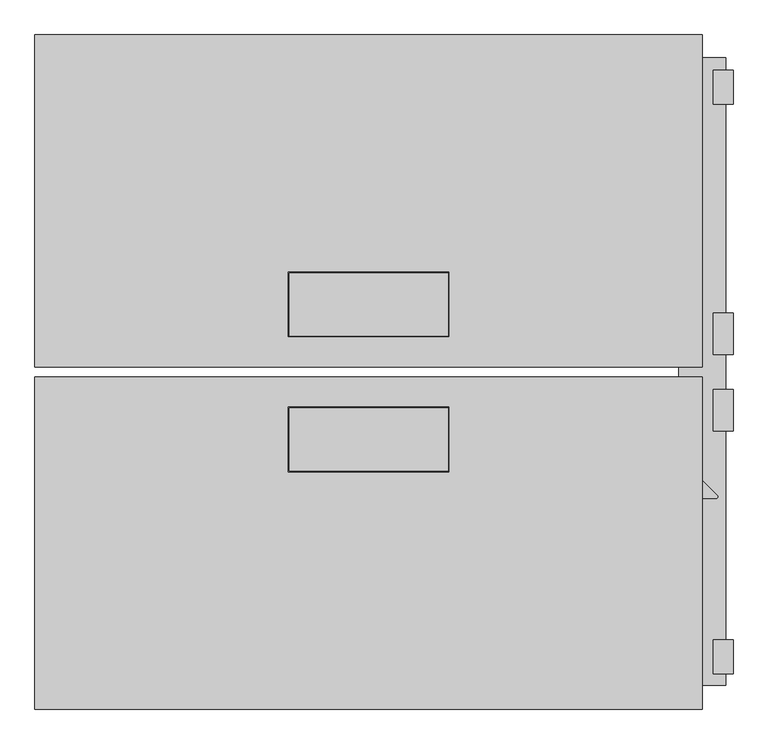
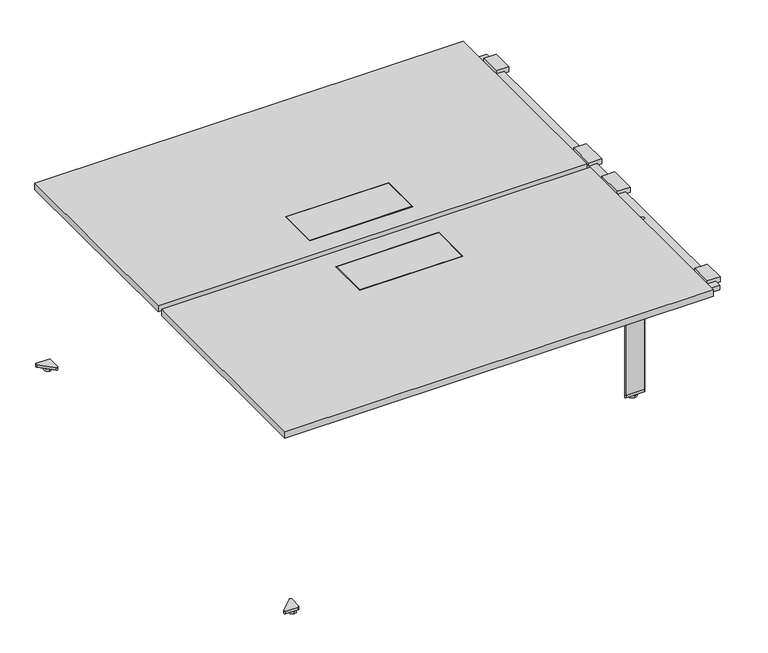
"""IFC4 building model written with IfcOpenShell, lengths in millimetres: furniture geometry."""

import ifcopenshell
import ifcopenshell.guid

model = None  # the IFC model being written
_history = None  # IfcOwnerHistory: only IFC2X3 demands one
_inside = {}  # id of a spatial element -> (the spatial element, [elements in it])
_under = {}  # id of a project, library or spatial element -> (it, [spatial elements below it])
_declared = {}  # id of a project -> (the project, [libraries it declares])
_typed = {}  # id of a type object -> (the type object, [elements of that type])
_made_of = {}  # id of a material, layer set ... -> (it, [elements and type objects made of it])


def new_model(schema):
    """Start an empty IFC model of exactly this schema.

    Asked for "IFC4X3", IfcOpenShell would pick the latest addendum, in which some entities
    have other attributes; the version numbers below select the first issue.
    IFC2X3 requires an IfcOwnerHistory on every rooted entity: one is made here for all.
    """
    global model, _history
    if schema == "IFC4X3":
        model = ifcopenshell.file(schema_version=(4, 3, 0, 0))
    else:
        model = ifcopenshell.file(schema=schema)
    _inside.clear()
    _under.clear()
    _declared.clear()
    _typed.clear()
    _made_of.clear()
    _history = None
    if model.schema == "IFC2X3":
        org = make("IfcOrganization", Name="unknown")
        user = make(
            "IfcPersonAndOrganization",
            ThePerson=make("IfcPerson", FamilyName="unknown"),
            TheOrganization=org,
        )
        app = make(
            "IfcApplication",
            ApplicationDeveloper=org,
            Version="unknown",
            ApplicationFullName="unknown",
            ApplicationIdentifier="unknown",
        )
        _history = make(
            "IfcOwnerHistory",
            OwningUser=user,
            OwningApplication=app,
            ChangeAction="ADDED",
            CreationDate=0,
        )
    return model


def make(cls, **values):
    """One entity of the class cls with the attributes given. An attribute that is None is left unset."""
    return model.create_entity(
        cls, **{name: value for name, value in values.items() if value is not None}
    )


def rooted(cls, **values):
    """An entity with a GlobalId (a new one), such as an element, a storey or a relation."""
    return make(cls, GlobalId=ifcopenshell.guid.new(), OwnerHistory=_history, **values)


def si_unit(unit_type, name, prefix=None):
    """IfcSIUnit, for example si_unit("LENGTHUNIT", "METRE", prefix="MILLI")."""
    return make("IfcSIUnit", UnitType=unit_type, Prefix=prefix, Name=name)


def assignment(units):
    """IfcUnitAssignment: the units of a project."""
    return None if units is None else make("IfcUnitAssignment", Units=units)


def point(xyz):
    """IfcCartesianPoint."""
    return None if xyz is None else make("IfcCartesianPoint", Coordinates=xyz)


def direction(xyz):
    """IfcDirection."""
    return None if xyz is None else make("IfcDirection", DirectionRatios=xyz)


def frame(location, z_axis=None, x_axis=None):
    """IfcAxis2Placement3D, a coordinate frame: its origin and axes. An axis left out is left unset."""
    return make(
        "IfcAxis2Placement3D",
        Location=point(location),
        Axis=direction(z_axis),
        RefDirection=direction(x_axis),
    )


def frame_2d(location, x_axis=None):
    """IfcAxis2Placement2D, a coordinate frame in the plane: its origin and x axis."""
    return make(
        "IfcAxis2Placement2D", Location=point(location), RefDirection=direction(x_axis)
    )


def origin():
    """The frame at (0, 0, 0) with its axes left unset."""
    return frame((0.0, 0.0, 0.0))


def place(relative_to, where):
    """IfcLocalPlacement: puts the frame where relative to a parent placement (None: the world)."""
    return make(
        "IfcLocalPlacement", PlacementRelTo=relative_to, RelativePlacement=where
    )


def context(
    kind, dimensions, precision=None, world=None, true_north=None, identifier=None
):
    """IfcGeometricRepresentationContext, for example the 3D "Model" context."""
    return make(
        "IfcGeometricRepresentationContext",
        ContextIdentifier=identifier,
        ContextType=kind,
        CoordinateSpaceDimension=dimensions,
        Precision=precision,
        WorldCoordinateSystem=world,
        TrueNorth=true_north,
    )


def project(units=None, contexts=None):
    """IfcProject with its units and contexts."""
    return rooted(
        "IfcProject",
        Name="project",
        RepresentationContexts=contexts,
        UnitsInContext=assignment(units),
    )


def spatial(cls, under=None, at=None, **own):
    """A site, building, storey or space (cls), placed at a placement, below another one or the project."""
    s = rooted(cls, ObjectPlacement=at, **own)
    if under is not None:
        _under.setdefault(under.id(), (under, []))[1].append(s)
    return s


def polyline(points):
    """IfcPolyline through the points."""
    return make("IfcPolyline", Points=[point(p) for p in points])


def circle_curve(where, radius):
    """IfcCircle in the frame where."""
    return make("IfcCircle", Position=where, Radius=radius)


def trimmed(basis, trim1, trim2, sense, master):
    """IfcTrimmedCurve: the piece of a basis curve between two trims."""
    return make(
        "IfcTrimmedCurve",
        BasisCurve=basis,
        Trim1=trim1,
        Trim2=trim2,
        SenseAgreement=sense,
        MasterRepresentation=master,
    )


def segment(curve, same_sense, transition):
    """IfcCompositeCurveSegment."""
    return make(
        "IfcCompositeCurveSegment",
        Transition=transition,
        SameSense=same_sense,
        ParentCurve=curve,
    )


def composite_curve(segments, self_intersect=None):
    """IfcCompositeCurve: segments joined end to end."""
    return make("IfcCompositeCurve", Segments=segments, SelfIntersect=self_intersect)


def outline(outer, holes=None, kind="AREA"):
    """IfcArbitraryClosedProfileDef: a profile drawn as a closed curve; with holes, ...WithVoids."""
    if holes is None:
        return make("IfcArbitraryClosedProfileDef", ProfileType=kind, OuterCurve=outer)
    return make(
        "IfcArbitraryProfileDefWithVoids",
        ProfileType=kind,
        OuterCurve=outer,
        InnerCurves=holes,
    )


def extrude(swept, where, along, depth):
    """IfcExtrudedAreaSolid: the profile swept, set in the frame where, extruded along a direction by depth."""
    return make(
        "IfcExtrudedAreaSolid",
        SweptArea=swept,
        Position=where,
        ExtrudedDirection=direction(along),
        Depth=depth,
    )


def shape(context_of_items, identifier, shape_type, items):
    """IfcShapeRepresentation: the items that make up one representation, for example the "Body"."""
    return make(
        "IfcShapeRepresentation",
        ContextOfItems=context_of_items,
        RepresentationIdentifier=identifier,
        RepresentationType=shape_type,
        Items=items,
    )


def source(mapping_origin, context_of_items, identifier, shape_type, items):
    """IfcRepresentationMap: a shape defined once, which mapped items show again and again."""
    return make(
        "IfcRepresentationMap",
        MappingOrigin=mapping_origin,
        MappedRepresentation=shape(context_of_items, identifier, shape_type, items),
    )


def transform(
    local_origin,
    x_axis=None,
    y_axis=None,
    z_axis=None,
    scale=None,
    scale2=None,
    scale3=None,
    uniform=True,
):
    """IfcCartesianTransformationOperator3D, or its non-uniform kind. x_axis, y_axis, z_axis: its Axis1, 2, 3."""
    if uniform:
        return make(
            "IfcCartesianTransformationOperator3D",
            Axis1=direction(x_axis),
            Axis2=direction(y_axis),
            LocalOrigin=point(local_origin),
            Scale=scale,
            Axis3=direction(z_axis),
        )
    return make(
        "IfcCartesianTransformationOperator3DnonUniform",
        Axis1=direction(x_axis),
        Axis2=direction(y_axis),
        LocalOrigin=point(local_origin),
        Scale=scale,
        Axis3=direction(z_axis),
        Scale2=scale2,
        Scale3=scale3,
    )


def mapped(mapping_source, mapping_target):
    """IfcMappedItem: shows the shape of a source again, moved by a transform."""
    return make(
        "IfcMappedItem", MappingSource=mapping_source, MappingTarget=mapping_target
    )


def made_of(thing, what):
    """Note that an element or type object is made of a material, layer set ...; save() writes the relation."""
    if what is not None:
        _made_of.setdefault(what.id(), (what, []))[1].append(thing)
    return thing


def element(
    cls,
    number,
    at=None,
    inside=None,
    cuts=None,
    type_object=None,
    material=None,
    context=None,
    identifier="Body",
    shape_type=None,
    held_by="IfcProductDefinitionShape",
    body=None,
    shapes=None,
    **own,
):
    """One element of the class cls, such as IfcWall. Its Tag is "e" and its number.

    at: its placement. inside: the storey or other place that contains it. cuts: it is an
    opening in that element (IfcRelVoidsElement). A single representation is given by context,
    identifier, shape_type and body (its items); several are given by shapes. held_by: the class
    of the entity that holds the representations. save() writes the other relations.
    """
    e = rooted(cls, Tag="e%d" % number, ObjectPlacement=at, **own)
    if body is not None:
        shapes = [shape(context, identifier, shape_type, body)]
    if shapes is not None:
        e.Representation = make(held_by, Representations=shapes)
    if inside is not None:
        _inside.setdefault(inside.id(), (inside, []))[1].append(e)
    if cuts is not None:
        rooted(
            "IfcRelVoidsElement", RelatingBuildingElement=cuts, RelatedOpeningElement=e
        )
    if type_object is not None:
        _typed.setdefault(type_object.id(), (type_object, []))[1].append(e)
    return made_of(e, material)


def aggregate(whole, parts):
    """IfcRelAggregates: a whole, such as a stair, and the parts it consists of."""
    return rooted("IfcRelAggregates", RelatingObject=whole, RelatedObjects=parts)


def save(model, path):
    """Write the relations noted so far, then the file.

    IfcRelAggregates (storeys below a building ...), IfcRelContainedInSpatialStructure (elements
    in a storey), IfcRelDefinesByType, IfcRelAssociatesMaterial and IfcRelDeclares: one each for
    every whole, place, type object, material and project.
    """
    for whole, parts in _under.values():
        aggregate(whole, parts)
    for where, things in _inside.values():
        rooted(
            "IfcRelContainedInSpatialStructure",
            RelatedElements=things,
            RelatingStructure=where,
        )
    for kind, things in _typed.values():
        rooted("IfcRelDefinesByType", RelatedObjects=things, RelatingType=kind)
    for what, things in _made_of.values():
        rooted("IfcRelAssociatesMaterial", RelatedObjects=things, RelatingMaterial=what)
    for by, libraries in _declared.values():
        rooted("IfcRelDeclares", RelatingContext=by, RelatedDefinitions=libraries)
    model.write(path)


def plane_surface(at):
    """IfcPlane: the flat surface through the origin of the frame at, square to its z axis."""
    return make("IfcPlane", Position=at)


def cylinder_surface(at, radius):
    """IfcCylindricalSurface: all points at the distance radius from the z axis of the frame at."""
    return make("IfcCylindricalSurface", Position=at, Radius=radius)


def advanced_brep(points, edges, surfaces, faces):
    """IfcAdvancedBrep: a solid bounded by faces that lie on surfaces and meet in shared edges.

    An edge is (start, end): straight between two places in points (the first is 0);
    or (start, end, curve); or (start, end, curve, False) where it runs against its curve.
    A face is (place in surfaces, loops), or (place, loops, False) where it looks against
    its surface's normal. A loop lists edges by number (the first is 1), with a minus sign
    where the edge is run from its end to its start. The first loop is the outer one.
    """
    corners = [point(p) for p in points]
    vertices = [make("IfcVertexPoint", VertexGeometry=c) for c in corners]
    made = []
    for start, end, *more in edges:
        made.append(
            make(
                "IfcEdgeCurve",
                EdgeStart=vertices[start],
                EdgeEnd=vertices[end],
                EdgeGeometry=more[0] if more else make("IfcPolyline", Points=[corners[start], corners[end]]),
                SameSense=more[1] if len(more) > 1 else True,
            )
        )
    hull = []
    for where, loops, *sense in faces:
        bounds = []
        for j, loop in enumerate(loops):
            ring = [make("IfcOrientedEdge", EdgeElement=made[abs(k) - 1], Orientation=k > 0) for k in loop]
            bounds.append(
                make(
                    "IfcFaceOuterBound" if j == 0 else "IfcFaceBound",
                    Bound=make("IfcEdgeLoop", EdgeList=ring),
                    Orientation=True,
                )
            )
        hull.append(make("IfcAdvancedFace", Bounds=bounds, FaceSurface=surfaces[where], SameSense=sense[0] if sense else True))
    return make("IfcAdvancedBrep", Outer=make("IfcClosedShell", CfsFaces=hull))


def furniture_9cdb178d(model_context):
    return source(origin(), model_context, "Body", "SolidModel", [
        extrude(outline(composite_curve([segment(trimmed(circle_curve(frame_2d((766.7032099, -299.7459464)), 3.9739848), [point((766.7032099, -303.7199312))], [point((763.8931783, -296.9359148))], False, "CARTESIAN"), True, "CONTINUOUS"), segment(polyline([(763.8931783, -296.9359148), (797.1715705, -263.6575226)]), True, "CONTINUOUS"), segment(trimmed(circle_curve(frame_2d((799.9999977, -266.4859497)), 4.0), [point((797.1715705, -263.6575226))], [point((802.8284248, -263.6575226))], False, "CARTESIAN"), True, "CONTINUOUS"), segment(polyline([(802.8284248, -263.6575226), (836.0138024, -296.8429002)]), True, "CONTINUOUS"), segment(trimmed(circle_curve(frame_2d((833.1652429, -299.6914597)), 4.0284715), [point((836.0138024, -296.8429002))], [point((833.1652429, -303.7199312))], False, "CARTESIAN"), True, "CONTINUOUS"), segment(polyline([(833.1652429, -303.7199312), (766.7032099, -303.7199312)]), True, "CONTINUOUS")], self_intersect=False)), frame((0.0, 0.0, 23.208927), z_axis=(0.0, 0.0, 1.0), x_axis=(1.0, 0.0, 0.0)), (0.0, 0.0, 1.0), 673.9998185),
        extrude(outline(polyline([(697.6088462, 743.4999127), (697.6088462, 773.499912), (709.208801, 773.499912), (709.208801, 726.4999155), (689.6088291, 726.4999155), (689.6088291, 743.4999127), (697.6088462, 743.4999127)])), frame((0.0, 41.5999583, 0.0), z_axis=(0.0, 1.0, 0.0), x_axis=(0.0, 0.0, 1.0)), (0.0, 0.0, 1.0), 99.7357006),
        extrude(outline(polyline([(697.6088462, 856.5000826), (689.6088291, 856.5000826), (689.6088291, 873.5000798), (709.208801, 873.5000798), (709.208801, 826.5000833), (697.6088462, 826.5000833), (697.6088462, 856.5000826)])), frame((0.0, 41.5999583, 0.0), z_axis=(0.0, 1.0, 0.0), x_axis=(0.0, 0.0, 1.0)), (0.0, 0.0, 1.0), 99.7357006),
        extrude(outline(polyline([(697.6088462, 743.4999127), (697.6088462, 773.499912), (709.208801, 773.499912), (709.208801, 726.4999155), (689.6088291, 726.4999155), (689.6088291, 743.4999127), (697.6088462, 743.4999127)])), frame((0.0, -142.2356734, 0.0), z_axis=(0.0, 1.0, 0.0), x_axis=(0.0, 0.0, 1.0)), (0.0, 0.0, 1.0), 99.7357006),
        extrude(outline(polyline([(697.6088462, 856.5000826), (689.6088291, 856.5000826), (689.6088291, 873.5000798), (709.208801, 873.5000798), (709.208801, 826.5000833), (697.6088462, 826.5000833), (697.6088462, 856.5000826)])), frame((0.0, -142.2356734, 0.0), z_axis=(0.0, 1.0, 0.0), x_axis=(0.0, 0.0, 1.0)), (0.0, 0.0, 1.0), 99.7357006),
        extrude(outline(polyline([(697.6088462, 743.4999127), (697.6088462, 773.499912), (709.208801, 773.499912), (709.208801, 726.4999155), (689.6088291, 726.4999155), (689.6088291, 743.4999127), (697.6088462, 743.4999127)])), frame((0.0, -724.4699222, 0.0), z_axis=(0.0, 1.0, 0.0), x_axis=(0.0, 0.0, 1.0)), (0.0, 0.0, 1.0), 81.5000087),
        extrude(outline(polyline([(697.6088462, 856.5000826), (689.6088291, 856.5000826), (689.6088291, 873.5000798), (709.208801, 873.5000798), (709.208801, 826.5000833), (697.6088462, 826.5000833), (697.6088462, 856.5000826)])), frame((0.0, -724.4699222, 0.0), z_axis=(0.0, 1.0, 0.0), x_axis=(0.0, 0.0, 1.0)), (0.0, 0.0, 1.0), 81.5000087),
        extrude(outline(polyline([(697.6088462, 743.4999127), (697.6088462, 773.499912), (709.208801, 773.499912), (709.208801, 726.4999155), (689.6088291, 726.4999155), (689.6088291, 743.4999127), (697.6088462, 743.4999127)])), frame((0.0, 642.069899, 0.0), z_axis=(0.0, 1.0, 0.0), x_axis=(0.0, 0.0, 1.0)), (0.0, 0.0, 1.0), 81.5000087),
        extrude(outline(polyline([(697.6088462, 856.5000826), (689.6088291, 856.5000826), (689.6088291, 873.5000798), (709.208801, 873.5000798), (709.208801, 826.5000833), (697.6088462, 826.5000833), (697.6088462, 856.5000826)])), frame((0.0, 642.069899, 0.0), z_axis=(0.0, 1.0, 0.0), x_axis=(0.0, 0.0, 1.0)), (0.0, 0.0, 1.0), 81.5000087),
        advanced_brep(
        [(743.4999134, -751.6799325, 697.2087455), (743.4999134, -751.6799325, 680.4588032), (856.4999114, -751.6799325, 680.4588032), (856.4999114, -751.6799325, 697.2087455), (856.4999114, 753.8200861, 697.2087455), (856.4999114, 753.8200861, 680.4588032), (743.4999134, 753.8200861, 680.4588032), (743.4999134, 753.8200861, 697.2087455), (743.4999134, 712.5697993, 680.4588032), (743.4999134, 634.1456644, 642.208779), (743.4999134, -635.0456789, 642.208779), (743.4999134, -713.4698138, 680.4588032), (856.4999114, -713.4698138, 680.4588032), (856.4999114, -635.0456789, 642.208779), (856.4999114, 634.1456644, 642.208779), (856.4999114, 712.5697993, 680.4588032), (820.2499125, -635.0456789, 642.208779), (820.2499125, 280.1789958, 642.208779), (836.0138024, 295.9428858, 642.208779), (833.1652429, 302.8199167, 642.208779), (820.2499125, 302.8199167, 642.208779), (820.2499125, 634.1456644, 642.208779), (820.2499125, 302.8199167, 680.4588032), (820.2499125, 712.5697993, 680.4588032), (820.2499125, -713.4698138, 680.4588032), (820.2499125, 280.1789958, 680.4588032), (779.7499123, 302.8199167, 680.4588032), (779.7499123, 712.5697993, 680.4588032), (779.7499123, -713.4698138, 680.4588032), (779.7499123, 280.1791663, 680.4588032), (797.1715705, 262.7575081, 680.4588032), (802.8284248, 262.7575081, 680.4588032), (779.7499123, 302.8199167, 642.208779), (779.7499123, 634.1456644, 642.208779), (779.7499123, -635.0456789, 642.208779), (779.7499123, 280.1791663, 642.208779), (766.7032099, 302.8199167, 642.208779), (763.8931783, 296.0359003, 642.208779), (766.7032099, 302.8199167, 23.208927), (833.1652429, 302.8199167, 23.208927), (836.0138024, 295.9428858, 23.208927), (802.8284248, 262.7575081, 23.208927), (797.1715705, 262.7575081, 23.208927), (763.8931783, 296.0359003, 23.208927)],
        [
            (0, 1),
            (1, 2),
            (2, 3),
            (3, 0),
            (4, 5),
            (5, 6),
            (6, 7),
            (7, 4),
            (6, 8),
            (8, 9),
            (9, 10),
            (10, 11),
            (11, 1),
            (0, 7),
            (3, 4),
            (2, 12),
            (12, 13),
            (13, 14),
            (14, 15),
            (15, 5),
            (13, 16),
            (16, 17),
            (17, 18),
            (18, 19, circle_curve(frame((833.1652429, 298.7914452, 642.208779), z_axis=(0.0, 0.0, 1.0), x_axis=(1.0, 0.0, 0.0)), 4.0284715)),
            (19, 20),
            (20, 21),
            (21, 14),
            (20, 22),
            (22, 23),
            (23, 21),
            (24, 25),
            (25, 17),
            (16, 24),
            (15, 23),
            (22, 26),
            (26, 27),
            (27, 8),
            (28, 29),
            (29, 30),
            (30, 31, circle_curve(frame((799.9999977, 265.5859352, 680.4588032), z_axis=(0.0, 0.0, 1.0), x_axis=(1.0, 0.0, 0.0)), 4.0)),
            (31, 25),
            (24, 12),
            (11, 28),
            (26, 32),
            (32, 33),
            (33, 27),
            (34, 35),
            (35, 29),
            (28, 34),
            (9, 33),
            (32, 36),
            (36, 37, circle_curve(frame((766.7032099, 298.8459319, 642.208779), z_axis=(0.0, 0.0, 1.0), x_axis=(1.0, 0.0, 0.0)), 3.9739848)),
            (37, 35),
            (34, 10),
            (38, 39),
            (39, 40, circle_curve(frame((833.1652429, 298.7914452, 23.208927), z_axis=(0.0, 0.0, -1.0), x_axis=(1.0, 0.0, 0.0)), 4.0284715)),
            (40, 41),
            (41, 42, circle_curve(frame((799.9999977, 265.5859352, 23.208927), z_axis=(0.0, 0.0, -1.0), x_axis=(1.0, 0.0, 0.0)), 4.0)),
            (42, 43),
            (43, 38, circle_curve(frame((766.7032099, 298.8459319, 23.208927), z_axis=(0.0, 0.0, -1.0), x_axis=(1.0, 0.0, 0.0)), 3.9739848)),
            (38, 36),
            (19, 39),
            (18, 40),
            (31, 41),
            (30, 42),
            (37, 43),
        ],
        [
            plane_surface(frame((743.4999134, -751.6799325, 642.208779), z_axis=(0.0, -1.0, 0.0), x_axis=(0.0, 0.0, 1.0))),
            plane_surface(frame((743.4999134, 753.8200861, 642.208779), z_axis=(0.0, 1.0, 0.0), x_axis=(0.0, 0.0, -1.0))),
            plane_surface(frame((743.4999134, -751.6799325, 642.208779), z_axis=(-1.0, 0.0, 0.0), x_axis=(0.0, 1.0, 0.0))),
            plane_surface(frame((743.4999134, -751.6799325, 697.2087455), z_axis=(0.0, 0.0, 1.0), x_axis=(0.0, 1.0, 0.0))),
            plane_surface(frame((856.4999114, -751.6799325, 697.2087455), z_axis=(1.0, 0.0, 0.0), x_axis=(0.0, 1.0, 0.0))),
            plane_surface(frame((856.4999114, -751.6799325, 642.208779), z_axis=(0.0, 0.0, -1.0), x_axis=(0.0, 1.0, 0.0))),
            plane_surface(frame((820.2499125, -751.6799325, 642.208779), z_axis=(-1.0, 0.0, 0.0), x_axis=(0.0, 1.0, 0.0))),
            plane_surface(frame((820.2499125, -751.6799325, 680.4588032), z_axis=(0.0, 0.0, -1.0), x_axis=(0.0, 1.0, 0.0))),
            plane_surface(frame((779.7499123, -751.6799325, 680.4588032), z_axis=(1.0, 0.0, 0.0), x_axis=(0.0, 1.0, 0.0))),
            plane_surface(frame((779.7499123, -751.6799325, 642.208779), z_axis=(0.0, 0.0, -1.0), x_axis=(0.0, 1.0, 0.0))),
            plane_surface(frame((890.6366243, 627.1843725, 638.8135285), z_axis=(0.0, 0.4383713119934702, -0.8987939657235821), x_axis=(-1.0, 0.0, 0.0))),
            plane_surface(frame((890.6366243, -713.4698138, 680.4588032), z_axis=(0.0, -0.4383713119934702, -0.8987939657235821), x_axis=(-1.0, 0.0, 0.0))),
            plane_surface(frame((833.1652429, 302.8199167, 23.208927), z_axis=(0.0, 0.0, -1.0), x_axis=(-1.0, 0.0, 0.0))),
            plane_surface(frame((766.7032099, 302.8199167, 697.2087455), z_axis=(0.0, 1.0, 0.0), x_axis=(0.0, 0.0, -1.0))),
            cylinder_surface(frame((833.1652429, 298.7914452, 23.208927), z_axis=(0.0, 0.0, 1.0), x_axis=(1.0, 0.0, 0.0)), 4.0284715),
            plane_surface(frame((836.0138024, 295.9428858, 697.2087455), z_axis=(0.7071067811865195, -0.7071067811865757, 0.0), x_axis=(0.0, 0.0, -1.0))),
            cylinder_surface(frame((799.9999977, 265.5859352, 23.208927), z_axis=(0.0, 0.0, 1.0), x_axis=(1.0, 0.0, 0.0)), 4.0),
            plane_surface(frame((797.1715705, 262.7575081, 697.2087455), z_axis=(-0.7071067811865511, -0.7071067811865439, 0.0), x_axis=(0.0, 0.0, -1.0))),
            cylinder_surface(frame((766.7032099, 298.8459319, 23.208927), z_axis=(0.0, 0.0, 1.0), x_axis=(1.0, 0.0, 0.0)), 3.9739848),
        ],
        [
            (0, [[1, 2, 3, 4]]),
            (1, [[5, 6, 7, 8]]),
            (2, [[-7, 9, 10, 11, 12, 13, -1, 14]]),
            (3, [[15, -8, -14, -4]]),
            (4, [[-3, 16, 17, 18, 19, 20, -5, -15]]),
            (5, [[21, 22, 23, 24, 25, 26, 27, -18]]),
            (6, [[-26, 28, 29, 30]]),
            (6, [[31, 32, -22, 33]]),
            (7, [[-9, -6, -20, 34, -29, 35, 36, 37]]),
            (7, [[38, 39, 40, 41, -31, 42, -16, -2, -13, 43]]),
            (8, [[-36, 44, 45, 46]]),
            (8, [[47, 48, -38, 49]]),
            (9, [[50, -45, 51, 52, 53, -47, 54, -11]]),
            (10, [[-19, -27, -30, -34]]),
            (10, [[-46, -50, -10, -37]]),
            (11, [[-12, -54, -49, -43]]),
            (11, [[-33, -21, -17, -42]]),
            (12, [[55, 56, 57, 58, 59, 60]]),
            (13, [[61, -51, -44, -35, -28, -25, 62, -55]]),
            (14, [[-62, -24, 63, -56]]),
            (15, [[-63, -23, -32, -41, 64, -57]]),
            (16, [[-64, -40, 65, -58]]),
            (17, [[-65, -39, -48, -53, 66, -59]]),
            (18, [[-66, -52, -61, -60]]),
        ],
    ),
        advanced_brep(
        [(799.9999977, -274.909596, 13.2089251), (799.9999977, -274.909596, 7.9177468), (799.9999977, -291.296285, 7.9177468), (799.9999977, -291.296285, 13.2089251), (799.9999977, -266.2373095, 7.9177468), (799.9999977, -299.9685714, 7.9177468), (799.9999977, -266.2373095, 0.0), (799.9999977, -299.9685714, 0.0), (799.9999977, -283.1029405, 0.0), (799.9999977, -283.1029405, 13.2089251)],
        [
            (0, 1),
            (1, 2, circle_curve(frame((799.9999977, -283.1029405, 7.9177468), z_axis=(0.0, 0.0, 1.0), x_axis=(0.0, -1.0, 0.0)), 8.1933445)),
            (2, 3),
            (3, 0, circle_curve(frame((799.9999977, -283.1029405, 13.2089251), z_axis=(0.0, 0.0, -1.0), x_axis=(0.0, -1.0, 0.0)), 8.1933445)),
            (2, 1, circle_curve(frame((799.9999977, -283.1029405, 7.9177468), z_axis=(0.0, 0.0, 1.0), x_axis=(0.0, -1.0, 0.0)), 8.1933445)),
            (0, 3, circle_curve(frame((799.9999977, -283.1029405, 13.2089251), z_axis=(0.0, 0.0, -1.0), x_axis=(0.0, -1.0, 0.0)), 8.1933445)),
            (1, 4),
            (4, 5, circle_curve(frame((799.9999977, -283.1029405, 7.9177468), z_axis=(0.0, 0.0, 1.0), x_axis=(0.0, -1.0, 0.0)), 16.865631)),
            (5, 2),
            (5, 4, circle_curve(frame((799.9999977, -283.1029405, 7.9177468), z_axis=(0.0, 0.0, 1.0), x_axis=(0.0, -1.0, 0.0)), 16.865631)),
            (4, 6),
            (6, 7, circle_curve(frame((799.9999977, -283.1029405, 0.0), z_axis=(0.0, 0.0, 1.0), x_axis=(0.0, -1.0, 0.0)), 16.865631)),
            (7, 5),
            (7, 6, circle_curve(frame((799.9999977, -283.1029405, 0.0), z_axis=(0.0, 0.0, 1.0), x_axis=(0.0, -1.0, 0.0)), 16.865631)),
            (6, 8),
            (8, 7),
            (9, 0),
            (3, 9),
        ],
        [
            cylinder_surface(frame((799.9999977, -283.1029405, 23.208927), z_axis=(0.0, 0.0, 1.0), x_axis=(0.0, -1.0, 0.0)), 8.1933445),
            plane_surface(frame((799.9999977, -283.1029405, 7.9177468), z_axis=(0.0, 0.0, 1.0), x_axis=(0.0, -1.0, 0.0))),
            cylinder_surface(frame((799.9999977, -283.1029405, 23.208927), z_axis=(0.0, 0.0, 1.0), x_axis=(0.0, -1.0, 0.0)), 16.865631),
            plane_surface(frame((799.9999977, -283.1029405, 0.0), z_axis=(0.0, 0.0, -1.0), x_axis=(0.0, -1.0, 0.0))),
            plane_surface(frame((799.9999977, -283.1029405, 13.2089251), z_axis=(0.0, 0.0, 1.0), x_axis=(0.0, -1.0, 0.0))),
        ],
        [
            (0, [[1, 2, 3, 4]]),
            (0, [[-3, 5, -1, 6]]),
            (1, [[7, 8, 9, -2]]),
            (1, [[-9, 10, -7, -5]]),
            (2, [[11, 12, 13, -8]]),
            (2, [[-13, 14, -11, -10]]),
            (3, [[15, 16, -12]]),
            (3, [[-16, -15, -14]]),
            (4, [[17, -4, 18]]),
            (4, [[-18, -6, -17]]),
        ],
    ),
        extrude(outline(composite_curve([segment(polyline([(763.8931783, -296.9359148), (797.1715705, -263.6575226)]), True, "CONTINUOUS"), segment(trimmed(circle_curve(frame_2d((799.9999977, -266.4859497)), 4.0), [point((797.1715705, -263.6575226))], [point((802.8284248, -263.6575226))], False, "CARTESIAN"), True, "CONTINUOUS"), segment(polyline([(802.8284248, -263.6575226), (836.0138024, -296.8429002)]), True, "CONTINUOUS"), segment(trimmed(circle_curve(frame_2d((833.1652429, -299.6914597)), 4.0284715), [point((836.0138024, -296.8429002))], [point((833.1652429, -303.7199312))], False, "CARTESIAN"), True, "CONTINUOUS"), segment(polyline([(833.1652429, -303.7199312), (766.7032099, -303.7199312)]), True, "CONTINUOUS"), segment(trimmed(circle_curve(frame_2d((766.7032099, -299.7459464)), 3.9739848), [point((766.7032099, -303.7199312))], [point((763.8931783, -296.9359148))], False, "CARTESIAN"), True, "CONTINUOUS")], self_intersect=False)), frame((0.0, 0.0, 13.2089251), z_axis=(0.0, 0.0, 1.0), x_axis=(1.0, 0.0, 0.0)), (0.0, 0.0, 1.0), 10.0000019),
        advanced_brep(
        [(799.9999977, 274.0095815, 7.9177468), (799.9999977, 274.0095815, 13.2089251), (799.9999977, 290.3962705, 13.2089251), (799.9999977, 290.3962705, 7.9177468), (799.9999977, 265.337295, 7.9177468), (799.9999977, 299.0685569, 7.9177468), (799.9999977, 265.337295, 0.0), (799.9999977, 299.0685569, 0.0), (799.9999977, 282.202926, 0.0), (799.9999977, 282.202926, 13.2089251)],
        [
            (0, 1),
            (1, 2, circle_curve(frame((799.9999977, 282.202926, 13.2089251), z_axis=(0.0, 0.0, -1.0), x_axis=(0.0, 1.0, 0.0)), 8.1933445)),
            (2, 3),
            (3, 0, circle_curve(frame((799.9999977, 282.202926, 7.9177468), z_axis=(0.0, 0.0, 1.0), x_axis=(0.0, 1.0, 0.0)), 8.1933445)),
            (2, 1, circle_curve(frame((799.9999977, 282.202926, 13.2089251), z_axis=(0.0, 0.0, -1.0), x_axis=(0.0, 1.0, 0.0)), 8.1933445)),
            (0, 3, circle_curve(frame((799.9999977, 282.202926, 7.9177468), z_axis=(0.0, 0.0, 1.0), x_axis=(0.0, 1.0, 0.0)), 8.1933445)),
            (4, 0),
            (3, 5),
            (5, 4, circle_curve(frame((799.9999977, 282.202926, 7.9177468), z_axis=(0.0, 0.0, 1.0), x_axis=(0.0, 1.0, 0.0)), 16.865631)),
            (4, 5, circle_curve(frame((799.9999977, 282.202926, 7.9177468), z_axis=(0.0, 0.0, 1.0), x_axis=(0.0, 1.0, 0.0)), 16.865631)),
            (6, 4),
            (5, 7),
            (7, 6, circle_curve(frame((799.9999977, 282.202926, 0.0), z_axis=(0.0, 0.0, 1.0), x_axis=(0.0, 1.0, 0.0)), 16.865631)),
            (6, 7, circle_curve(frame((799.9999977, 282.202926, 0.0), z_axis=(0.0, 0.0, 1.0), x_axis=(0.0, 1.0, 0.0)), 16.865631)),
            (8, 6),
            (7, 8),
            (1, 9),
            (9, 2),
        ],
        [
            cylinder_surface(frame((799.9999977, 282.202926, 23.208927), z_axis=(0.0, 0.0, -1.0), x_axis=(0.0, 1.0, 0.0)), 8.1933445),
            plane_surface(frame((799.9999977, 282.202926, 7.9177468), z_axis=(0.0, 0.0, 1.0), x_axis=(0.0, 1.0, 0.0))),
            cylinder_surface(frame((799.9999977, 282.202926, 23.208927), z_axis=(0.0, 0.0, -1.0), x_axis=(0.0, 1.0, 0.0)), 16.865631),
            plane_surface(frame((799.9999977, 282.202926, 0.0), z_axis=(0.0, 0.0, -1.0), x_axis=(0.0, 1.0, 0.0))),
            plane_surface(frame((799.9999977, 282.202926, 13.2089251), z_axis=(0.0, 0.0, 1.0), x_axis=(0.0, 1.0, 0.0))),
        ],
        [
            (0, [[1, 2, 3, 4]]),
            (0, [[-3, 5, -1, 6]]),
            (1, [[7, -4, 8, 9]]),
            (1, [[-8, -6, -7, 10]]),
            (2, [[11, -9, 12, 13]]),
            (2, [[-12, -10, -11, 14]]),
            (3, [[15, -13, 16]]),
            (3, [[-16, -14, -15]]),
            (4, [[17, 18, -2]]),
            (4, [[-18, -17, -5]]),
        ],
    ),
        extrude(outline(composite_curve([segment(trimmed(circle_curve(frame_2d((766.7032099, 298.8459319)), 3.9739848), [point((763.8931783, 296.0359003))], [point((766.7032099, 302.8199167))], False, "CARTESIAN"), True, "CONTINUOUS"), segment(polyline([(766.7032099, 302.8199167), (833.1652429, 302.8199167)]), True, "CONTINUOUS"), segment(trimmed(circle_curve(frame_2d((833.1652429, 298.7914452)), 4.0284715), [point((833.1652429, 302.8199167))], [point((836.0138024, 295.9428858))], False, "CARTESIAN"), True, "CONTINUOUS"), segment(polyline([(836.0138024, 295.9428858), (802.8284248, 262.7575081)]), True, "CONTINUOUS"), segment(trimmed(circle_curve(frame_2d((799.9999977, 265.5859352)), 4.0), [point((802.8284248, 262.7575081))], [point((797.1715705, 262.7575081))], False, "CARTESIAN"), True, "CONTINUOUS"), segment(polyline([(797.1715705, 262.7575081), (763.8931783, 296.0359003)]), True, "CONTINUOUS")], self_intersect=False)), frame((0.0, 0.0, 13.2089251), z_axis=(0.0, 0.0, 1.0), x_axis=(1.0, 0.0, 0.0)), (0.0, 0.0, 1.0), 10.0000019),
        advanced_brep(
        [(-762.7423379, 794.7906718, 13.224838), (-762.7423379, 789.2848347, 13.224838), (-762.7423379, 783.7789976, 13.224838), (-762.7423379, 789.2848347, 0.0), (-762.7423379, 803.4633289, 0.0), (-762.7423379, 775.1063404, 0.0), (-762.7423379, 803.4633289, 7.9176691), (-762.7423379, 775.1063404, 7.9176691), (-762.7423379, 794.7906718, 7.9176691), (-762.7423379, 783.7789976, 7.9176691)],
        [
            (0, 1),
            (1, 2),
            (2, 0, circle_curve(frame((-762.7423379, 789.2848347, 13.224838), z_axis=(0.0, 0.0, 1.0), x_axis=(0.0, -1.0, 0.0)), 5.5058371)),
            (0, 2, circle_curve(frame((-762.7423379, 789.2848347, 13.224838), z_axis=(0.0, 0.0, 1.0), x_axis=(0.0, -1.0, 0.0)), 5.5058371)),
            (3, 4),
            (4, 5, circle_curve(frame((-762.7423379, 789.2848347, 0.0), z_axis=(0.0, 0.0, -1.0), x_axis=(0.0, -1.0, 0.0)), 14.1784942)),
            (5, 3),
            (5, 4, circle_curve(frame((-762.7423379, 789.2848347, 0.0), z_axis=(0.0, 0.0, -1.0), x_axis=(0.0, -1.0, 0.0)), 14.1784942)),
            (4, 6),
            (6, 7, circle_curve(frame((-762.7423379, 789.2848347, 7.9176691), z_axis=(0.0, 0.0, -1.0), x_axis=(0.0, -1.0, 0.0)), 14.1784942)),
            (7, 5),
            (7, 6, circle_curve(frame((-762.7423379, 789.2848347, 7.9176691), z_axis=(0.0, 0.0, -1.0), x_axis=(0.0, -1.0, 0.0)), 14.1784942)),
            (6, 8),
            (8, 9, circle_curve(frame((-762.7423379, 789.2848347, 7.9176691), z_axis=(0.0, 0.0, -1.0), x_axis=(0.0, -1.0, 0.0)), 5.5058371)),
            (9, 7),
            (9, 8, circle_curve(frame((-762.7423379, 789.2848347, 7.9176691), z_axis=(0.0, 0.0, -1.0), x_axis=(0.0, -1.0, 0.0)), 5.5058371)),
            (8, 0),
            (2, 9),
        ],
        [
            plane_surface(frame((-762.7423379, 789.2848347, 13.224838), z_axis=(0.0, 0.0, 1.0), x_axis=(0.0, -1.0, 0.0))),
            plane_surface(frame((-762.7423379, 789.2848347, 0.0), z_axis=(0.0, 0.0, -1.0), x_axis=(0.0, -1.0, 0.0))),
            cylinder_surface(frame((-762.7423379, 789.2848347, -3.4494758), z_axis=(0.0, 0.0, -1.0), x_axis=(0.0, -1.0, 0.0)), 14.1784942),
            plane_surface(frame((-762.7423379, 789.2848347, 7.9176691), z_axis=(0.0, 0.0, 1.0), x_axis=(0.0, -1.0, 0.0))),
            cylinder_surface(frame((-762.7423379, 789.2848347, -3.4494758), z_axis=(0.0, 0.0, -1.0), x_axis=(0.0, -1.0, 0.0)), 5.5058371),
        ],
        [
            (0, [[1, 2, 3]]),
            (0, [[-2, -1, 4]]),
            (1, [[5, 6, 7]]),
            (1, [[-7, 8, -5]]),
            (2, [[9, 10, 11, -6]]),
            (2, [[-11, 12, -9, -8]]),
            (3, [[13, 14, 15, -10]]),
            (3, [[-15, 16, -13, -12]]),
            (4, [[17, -3, 18, -14]]),
            (4, [[-18, -4, -17, -16]]),
        ],
    ),
        advanced_brep(
        [(-762.7423379, -790.1848492, 13.224838), (-762.7423379, -795.6906863, 13.224838), (-762.7423379, -784.679012, 13.224838), (-762.7423379, -804.3633434, 0.0), (-762.7423379, -790.1848492, 0.0), (-762.7423379, -776.0063549, 0.0), (-762.7423379, -804.3633434, 7.9176691), (-762.7423379, -776.0063549, 7.9176691), (-762.7423379, -795.6906863, 7.9176691), (-762.7423379, -784.679012, 7.9176691)],
        [
            (0, 1),
            (1, 2, circle_curve(frame((-762.7423379, -790.1848492, 13.224838), z_axis=(0.0, 0.0, 1.0), x_axis=(0.0, 1.0, 0.0)), 5.5058371)),
            (2, 0),
            (2, 1, circle_curve(frame((-762.7423379, -790.1848492, 13.224838), z_axis=(0.0, 0.0, 1.0), x_axis=(0.0, 1.0, 0.0)), 5.5058371)),
            (3, 4),
            (4, 5),
            (5, 3, circle_curve(frame((-762.7423379, -790.1848492, 0.0), z_axis=(0.0, 0.0, -1.0), x_axis=(0.0, 1.0, 0.0)), 14.1784942)),
            (3, 5, circle_curve(frame((-762.7423379, -790.1848492, 0.0), z_axis=(0.0, 0.0, -1.0), x_axis=(0.0, 1.0, 0.0)), 14.1784942)),
            (6, 3),
            (5, 7),
            (7, 6, circle_curve(frame((-762.7423379, -790.1848492, 7.9176691), z_axis=(0.0, 0.0, -1.0), x_axis=(0.0, 1.0, 0.0)), 14.1784942)),
            (6, 7, circle_curve(frame((-762.7423379, -790.1848492, 7.9176691), z_axis=(0.0, 0.0, -1.0), x_axis=(0.0, 1.0, 0.0)), 14.1784942)),
            (8, 6),
            (7, 9),
            (9, 8, circle_curve(frame((-762.7423379, -790.1848492, 7.9176691), z_axis=(0.0, 0.0, -1.0), x_axis=(0.0, 1.0, 0.0)), 5.5058371)),
            (8, 9, circle_curve(frame((-762.7423379, -790.1848492, 7.9176691), z_axis=(0.0, 0.0, -1.0), x_axis=(0.0, 1.0, 0.0)), 5.5058371)),
            (1, 8),
            (9, 2),
        ],
        [
            plane_surface(frame((-762.7423379, -790.1848492, 13.224838), z_axis=(0.0, 0.0, 1.0), x_axis=(0.0, 1.0, 0.0))),
            plane_surface(frame((-762.7423379, -790.1848492, 0.0), z_axis=(0.0, 0.0, -1.0), x_axis=(0.0, 1.0, 0.0))),
            cylinder_surface(frame((-762.7423379, -790.1848492, -3.4494758), z_axis=(0.0, 0.0, 1.0), x_axis=(0.0, 1.0, 0.0)), 14.1784942),
            plane_surface(frame((-762.7423379, -790.1848492, 7.9176691), z_axis=(0.0, 0.0, 1.0), x_axis=(0.0, 1.0, 0.0))),
            cylinder_surface(frame((-762.7423379, -790.1848492, -3.4494758), z_axis=(0.0, 0.0, 1.0), x_axis=(0.0, 1.0, 0.0)), 5.5058371),
        ],
        [
            (0, [[1, 2, 3]]),
            (0, [[-3, 4, -1]]),
            (1, [[5, 6, 7]]),
            (1, [[-6, -5, 8]]),
            (2, [[9, -7, 10, 11]]),
            (2, [[-10, -8, -9, 12]]),
            (3, [[13, -11, 14, 15]]),
            (3, [[-14, -12, -13, 16]]),
            (4, [[17, -15, 18, -2]]),
            (4, [[-18, -16, -17, -4]]),
        ],
    ),
        extrude(outline(composite_curve([segment(polyline([(-751.9046897, 752.8478734), (-798.828382, 799.7715656)]), True, "CONTINUOUS"), segment(trimmed(circle_curve(frame_2d((-795.9999549, 802.5999928)), 4.0), [point((-798.828382, 799.7715656))], [point((-795.9999549, 806.5999928))], False, "CARTESIAN"), True, "CONTINUOUS"), segment(polyline([(-795.9999549, 806.5999928), (-749.0762626, 806.5999928)]), True, "CONTINUOUS"), segment(trimmed(circle_curve(frame_2d((-749.0762626, 802.5999928)), 4.0), [point((-749.0762626, 806.5999928))], [point((-745.0762626, 802.5999928))], False, "CARTESIAN"), True, "CONTINUOUS"), segment(polyline([(-745.0762626, 802.5999928), (-745.0762626, 755.6763005)]), True, "CONTINUOUS"), segment(trimmed(circle_curve(frame_2d((-749.0762626, 755.6763005)), 4.0), [point((-745.0762626, 755.6763005))], [point((-751.9046897, 752.8478734))], False, "CARTESIAN"), True, "CONTINUOUS")], self_intersect=False)), frame((0.0, 0.0, 13.224838), z_axis=(0.0, 0.0, 1.0), x_axis=(1.0, 0.0, 0.0)), (0.0, 0.0, 1.0), 9.9945627),
        extrude(outline(composite_curve([segment(trimmed(circle_curve(frame_2d((-749.0762626, -756.576315)), 4.0), [point((-751.9046897, -753.7478879))], [point((-745.0762626, -756.576315))], False, "CARTESIAN"), True, "CONTINUOUS"), segment(polyline([(-745.0762626, -756.576315), (-745.0762626, -803.5000072)]), True, "CONTINUOUS"), segment(trimmed(circle_curve(frame_2d((-749.0762626, -803.5000072)), 4.0), [point((-745.0762626, -803.5000072))], [point((-749.0762626, -807.5000072))], False, "CARTESIAN"), True, "CONTINUOUS"), segment(polyline([(-749.0762626, -807.5000072), (-795.9999549, -807.5000072)]), True, "CONTINUOUS"), segment(trimmed(circle_curve(frame_2d((-795.9999549, -803.5000072)), 4.0), [point((-795.9999549, -807.5000072))], [point((-798.828382, -800.6715801))], False, "CARTESIAN"), True, "CONTINUOUS"), segment(polyline([(-798.828382, -800.6715801), (-751.9046897, -753.7478879)]), True, "CONTINUOUS")], self_intersect=False)), frame((0.0, 0.0, 13.224838), z_axis=(0.0, 0.0, 1.0), x_axis=(1.0, 0.0, 0.0)), (0.0, 0.0, 1.0), 9.9945627),
        extrude(outline(polyline([(190.5000406, -86.9999979), (190.5000406, -238.0000066), (-190.5000452, -238.0000066), (-190.5000452, -86.9999979), (190.5000406, -86.9999979)])), frame((0.0, 0.0, 723.4999827), z_axis=(0.0, 0.0, 1.0), x_axis=(1.0, 0.0, 0.0)), (0.0, 0.0, 1.0), 10.7088669),
        extrude(outline(polyline([(190.5000406, 86.0999834), (-190.5000452, 86.0999834), (-190.5000452, 237.0999921), (190.5000406, 237.0999921), (190.5000406, 86.0999834)])), frame((0.0, 0.0, 723.4999827), z_axis=(0.0, 0.0, 1.0), x_axis=(1.0, 0.0, 0.0)), (0.0, 0.0, 1.0), 10.7088669),
        extrude(outline(polyline([(799.9999977, 11.5999583), (-800.0000023, 11.5999583), (-800.0000023, 808.0499928), (799.9999977, 808.0499928), (799.9999977, 11.5999583)]), holes=[polyline([(192.5000406, 84.0999834), (192.5000406, 239.0999921), (-192.5000452, 239.0999921), (-192.5000452, 84.0999834), (192.5000406, 84.0999834)])]), frame((0.0, 0.0, 709.208801), z_axis=(0.0, 0.0, 1.0), x_axis=(1.0, 0.0, 0.0)), (0.0, 0.0, 1.0), 25.0000486),
        extrude(outline(polyline([(799.9999977, -12.4999728), (799.9999977, -808.9500072), (-800.0000023, -808.9500072), (-800.0000023, -12.4999728), (799.9999977, -12.4999728)]), holes=[polyline([(192.5000406, -84.9999979), (-192.5000452, -84.9999979), (-192.5000452, -240.0000066), (192.5000406, -240.0000066), (192.5000406, -84.9999979)])]), frame((0.0, 0.0, 709.208801), z_axis=(0.0, 0.0, 1.0), x_axis=(1.0, 0.0, 0.0)), (0.0, 0.0, 1.0), 25.0000486),
    ])


if __name__ == "__main__":
    model = new_model("IFC4")
    model_context = context("Model", 3, world=origin())
    ifc_project = project(units=[si_unit("LENGTHUNIT", "METRE", prefix="MILLI")], contexts=[model_context])
    site = spatial("IfcSite", under=ifc_project)
    building = spatial("IfcBuilding", under=site)
    placement = place(None, origin())
    furniture_shape = furniture_9cdb178d(model_context)
    element("IfcFurniture", 1, at=placement, inside=building, context=model_context, shape_type="MappedRepresentation", body=[
        mapped(furniture_shape, transform((0.0, 0.0, 0.0), x_axis=(1.0, 0.0, 0.0), y_axis=(0.0, 1.0, 0.0), z_axis=(0.0, 0.0, 1.0))),
    ])
    save(model, "model.ifc")
